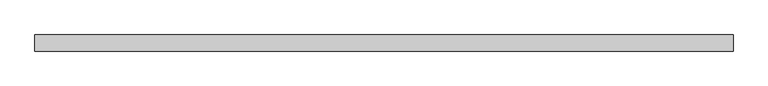
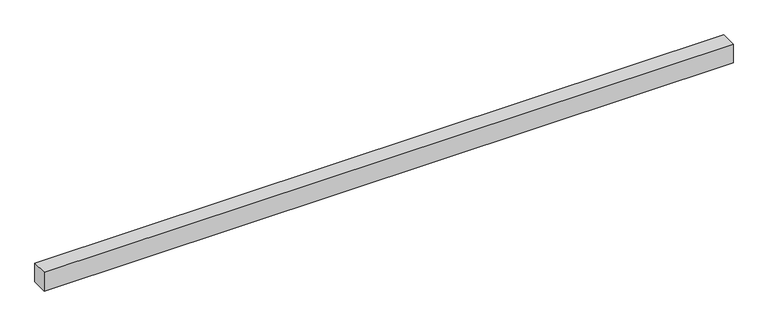
"""IFC4 building model written with IfcOpenShell, lengths in millimetres: proxy geometry."""

from ifc_helpers import new_model, si_unit, origin, origin_with_axes, place, context, project, spatial, polyline, outline, extrude, source, transform, mapped, element, save


def generic_models_d094858e(model_context):
    return source(origin(), model_context, "Body", "SweptSolid", [
        extrude(outline(polyline([(3464.2640687, -40.0), (0.0, -40.0), (0.0, 40.0), (3464.2640687, 40.0), (3464.2640687, -40.0)])), origin_with_axes(), (0.0, 0.0, 1.0), 100.0),
    ])


if __name__ == "__main__":
    model = new_model("IFC4")
    model_context = context("Model", 3, world=origin())
    ifc_project = project(units=[si_unit("LENGTHUNIT", "METRE", prefix="MILLI")], contexts=[model_context])
    site = spatial("IfcSite", under=ifc_project)
    building = spatial("IfcBuilding", under=site)
    placement = place(None, origin())
    generic_models_shape = generic_models_d094858e(model_context)
    element("IfcBuildingElementProxy", 1, Name="Generic Models", at=placement, inside=building, context=model_context, shape_type="MappedRepresentation", body=[
        mapped(generic_models_shape, transform((0.0, 0.0, 0.0), x_axis=(1.0, 0.0, 0.0), y_axis=(0.0, 1.0, 0.0), z_axis=(0.0, 0.0, 1.0))),
    ])
    save(model, "model.ifc")
